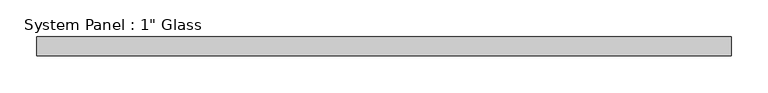
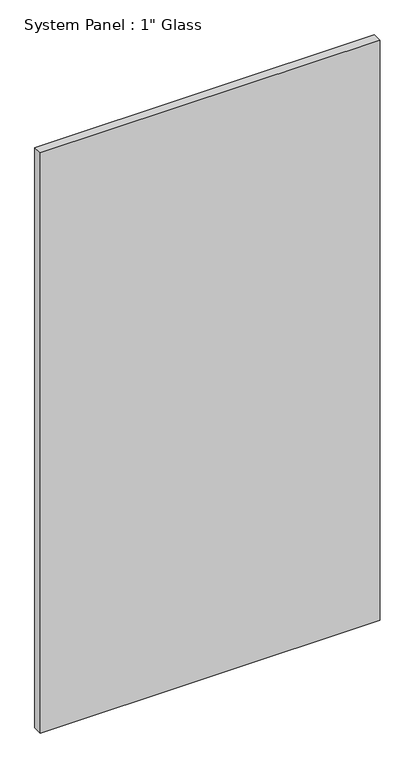
"""IFC4 building model written with IfcOpenShell, lengths in millimetres: plate geometry."""

import ifcopenshell
import ifcopenshell.guid

model = None  # the IFC model being written
_history = None  # IfcOwnerHistory: only IFC2X3 demands one
_inside = {}  # id of a spatial element -> (the spatial element, [elements in it])
_under = {}  # id of a project, library or spatial element -> (it, [spatial elements below it])
_declared = {}  # id of a project -> (the project, [libraries it declares])
_typed = {}  # id of a type object -> (the type object, [elements of that type])
_made_of = {}  # id of a material, layer set ... -> (it, [elements and type objects made of it])


def new_model(schema):
    """Start an empty IFC model of exactly this schema.

    Asked for "IFC4X3", IfcOpenShell would pick the latest addendum, in which some entities
    have other attributes; the version numbers below select the first issue.
    IFC2X3 requires an IfcOwnerHistory on every rooted entity: one is made here for all.
    """
    global model, _history
    if schema == "IFC4X3":
        model = ifcopenshell.file(schema_version=(4, 3, 0, 0))
    else:
        model = ifcopenshell.file(schema=schema)
    _inside.clear()
    _under.clear()
    _declared.clear()
    _typed.clear()
    _made_of.clear()
    _history = None
    if model.schema == "IFC2X3":
        org = make("IfcOrganization", Name="unknown")
        user = make(
            "IfcPersonAndOrganization",
            ThePerson=make("IfcPerson", FamilyName="unknown"),
            TheOrganization=org,
        )
        app = make(
            "IfcApplication",
            ApplicationDeveloper=org,
            Version="unknown",
            ApplicationFullName="unknown",
            ApplicationIdentifier="unknown",
        )
        _history = make(
            "IfcOwnerHistory",
            OwningUser=user,
            OwningApplication=app,
            ChangeAction="ADDED",
            CreationDate=0,
        )
    return model


def make(cls, **values):
    """One entity of the class cls with the attributes given. An attribute that is None is left unset."""
    return model.create_entity(
        cls, **{name: value for name, value in values.items() if value is not None}
    )


def rooted(cls, **values):
    """An entity with a GlobalId (a new one), such as an element, a storey or a relation."""
    return make(cls, GlobalId=ifcopenshell.guid.new(), OwnerHistory=_history, **values)


def si_unit(unit_type, name, prefix=None):
    """IfcSIUnit, for example si_unit("LENGTHUNIT", "METRE", prefix="MILLI")."""
    return make("IfcSIUnit", UnitType=unit_type, Prefix=prefix, Name=name)


def assignment(units):
    """IfcUnitAssignment: the units of a project."""
    return None if units is None else make("IfcUnitAssignment", Units=units)


def point(xyz):
    """IfcCartesianPoint."""
    return None if xyz is None else make("IfcCartesianPoint", Coordinates=xyz)


def direction(xyz):
    """IfcDirection."""
    return None if xyz is None else make("IfcDirection", DirectionRatios=xyz)


def frame(location, z_axis=None, x_axis=None):
    """IfcAxis2Placement3D, a coordinate frame: its origin and axes. An axis left out is left unset."""
    return make(
        "IfcAxis2Placement3D",
        Location=point(location),
        Axis=direction(z_axis),
        RefDirection=direction(x_axis),
    )


def origin():
    """The frame at (0, 0, 0) with its axes left unset."""
    return frame((0.0, 0.0, 0.0))


def origin_with_axes():
    """The frame at (0, 0, 0) with the z axis (0, 0, 1) and the x axis (1, 0, 0) written out."""
    return frame((0.0, 0.0, 0.0), z_axis=(0.0, 0.0, 1.0), x_axis=(1.0, 0.0, 0.0))


def place(relative_to, where):
    """IfcLocalPlacement: puts the frame where relative to a parent placement (None: the world)."""
    return make(
        "IfcLocalPlacement", PlacementRelTo=relative_to, RelativePlacement=where
    )


def context(
    kind, dimensions, precision=None, world=None, true_north=None, identifier=None
):
    """IfcGeometricRepresentationContext, for example the 3D "Model" context."""
    return make(
        "IfcGeometricRepresentationContext",
        ContextIdentifier=identifier,
        ContextType=kind,
        CoordinateSpaceDimension=dimensions,
        Precision=precision,
        WorldCoordinateSystem=world,
        TrueNorth=true_north,
    )


def project(units=None, contexts=None):
    """IfcProject with its units and contexts."""
    return rooted(
        "IfcProject",
        Name="project",
        RepresentationContexts=contexts,
        UnitsInContext=assignment(units),
    )


def spatial(cls, under=None, at=None, **own):
    """A site, building, storey or space (cls), placed at a placement, below another one or the project."""
    s = rooted(cls, ObjectPlacement=at, **own)
    if under is not None:
        _under.setdefault(under.id(), (under, []))[1].append(s)
    return s


def polyline(points):
    """IfcPolyline through the points."""
    return make("IfcPolyline", Points=[point(p) for p in points])


def outline(outer, holes=None, kind="AREA"):
    """IfcArbitraryClosedProfileDef: a profile drawn as a closed curve; with holes, ...WithVoids."""
    if holes is None:
        return make("IfcArbitraryClosedProfileDef", ProfileType=kind, OuterCurve=outer)
    return make(
        "IfcArbitraryProfileDefWithVoids",
        ProfileType=kind,
        OuterCurve=outer,
        InnerCurves=holes,
    )


def extrude(swept, where, along, depth):
    """IfcExtrudedAreaSolid: the profile swept, set in the frame where, extruded along a direction by depth."""
    return make(
        "IfcExtrudedAreaSolid",
        SweptArea=swept,
        Position=where,
        ExtrudedDirection=direction(along),
        Depth=depth,
    )


def shape(context_of_items, identifier, shape_type, items):
    """IfcShapeRepresentation: the items that make up one representation, for example the "Body"."""
    return make(
        "IfcShapeRepresentation",
        ContextOfItems=context_of_items,
        RepresentationIdentifier=identifier,
        RepresentationType=shape_type,
        Items=items,
    )


def source(mapping_origin, context_of_items, identifier, shape_type, items):
    """IfcRepresentationMap: a shape defined once, which mapped items show again and again."""
    return make(
        "IfcRepresentationMap",
        MappingOrigin=mapping_origin,
        MappedRepresentation=shape(context_of_items, identifier, shape_type, items),
    )


def transform(
    local_origin,
    x_axis=None,
    y_axis=None,
    z_axis=None,
    scale=None,
    scale2=None,
    scale3=None,
    uniform=True,
):
    """IfcCartesianTransformationOperator3D, or its non-uniform kind. x_axis, y_axis, z_axis: its Axis1, 2, 3."""
    if uniform:
        return make(
            "IfcCartesianTransformationOperator3D",
            Axis1=direction(x_axis),
            Axis2=direction(y_axis),
            LocalOrigin=point(local_origin),
            Scale=scale,
            Axis3=direction(z_axis),
        )
    return make(
        "IfcCartesianTransformationOperator3DnonUniform",
        Axis1=direction(x_axis),
        Axis2=direction(y_axis),
        LocalOrigin=point(local_origin),
        Scale=scale,
        Axis3=direction(z_axis),
        Scale2=scale2,
        Scale3=scale3,
    )


def mapped(mapping_source, mapping_target):
    """IfcMappedItem: shows the shape of a source again, moved by a transform."""
    return make(
        "IfcMappedItem", MappingSource=mapping_source, MappingTarget=mapping_target
    )


def made_of(thing, what):
    """Note that an element or type object is made of a material, layer set ...; save() writes the relation."""
    if what is not None:
        _made_of.setdefault(what.id(), (what, []))[1].append(thing)
    return thing


def element(
    cls,
    number,
    at=None,
    inside=None,
    cuts=None,
    type_object=None,
    material=None,
    context=None,
    identifier="Body",
    shape_type=None,
    held_by="IfcProductDefinitionShape",
    body=None,
    shapes=None,
    **own,
):
    """One element of the class cls, such as IfcWall. Its Tag is "e" and its number.

    at: its placement. inside: the storey or other place that contains it. cuts: it is an
    opening in that element (IfcRelVoidsElement). A single representation is given by context,
    identifier, shape_type and body (its items); several are given by shapes. held_by: the class
    of the entity that holds the representations. save() writes the other relations.
    """
    e = rooted(cls, Tag="e%d" % number, ObjectPlacement=at, **own)
    if body is not None:
        shapes = [shape(context, identifier, shape_type, body)]
    if shapes is not None:
        e.Representation = make(held_by, Representations=shapes)
    if inside is not None:
        _inside.setdefault(inside.id(), (inside, []))[1].append(e)
    if cuts is not None:
        rooted(
            "IfcRelVoidsElement", RelatingBuildingElement=cuts, RelatedOpeningElement=e
        )
    if type_object is not None:
        _typed.setdefault(type_object.id(), (type_object, []))[1].append(e)
    return made_of(e, material)


def aggregate(whole, parts):
    """IfcRelAggregates: a whole, such as a stair, and the parts it consists of."""
    return rooted("IfcRelAggregates", RelatingObject=whole, RelatedObjects=parts)


def save(model, path):
    """Write the relations noted so far, then the file.

    IfcRelAggregates (storeys below a building ...), IfcRelContainedInSpatialStructure (elements
    in a storey), IfcRelDefinesByType, IfcRelAssociatesMaterial and IfcRelDeclares: one each for
    every whole, place, type object, material and project.
    """
    for whole, parts in _under.values():
        aggregate(whole, parts)
    for where, things in _inside.values():
        rooted(
            "IfcRelContainedInSpatialStructure",
            RelatedElements=things,
            RelatingStructure=where,
        )
    for kind, things in _typed.values():
        rooted("IfcRelDefinesByType", RelatedObjects=things, RelatingType=kind)
    for what, things in _made_of.values():
        rooted("IfcRelAssociatesMaterial", RelatedObjects=things, RelatingMaterial=what)
    for by, libraries in _declared.values():
        rooted("IfcRelDeclares", RelatingContext=by, RelatedDefinitions=libraries)
    model.write(path)


def plate_f2fcc020(model_context):
    return source(origin(), model_context, "Body", "SweptSolid", [
        extrude(outline(polyline([(469.9, -12.7), (-469.9, -12.7), (-469.9, 12.7), (469.9, 12.7), (469.9, -12.7)])), origin_with_axes(), (0.0, 0.0, 1.0), 1695.45),
    ])


if __name__ == "__main__":
    model = new_model("IFC4")
    model_context = context("Model", 3, world=origin())
    ifc_project = project(units=[si_unit("LENGTHUNIT", "METRE", prefix="MILLI")], contexts=[model_context])
    site = spatial("IfcSite", under=ifc_project)
    building = spatial("IfcBuilding", under=site)
    placement = place(None, origin())
    plate_shape = plate_f2fcc020(model_context)
    element("IfcPlate", 1, ObjectType="System Panel : 1\" Glass", at=placement, inside=building, context=model_context, shape_type="MappedRepresentation", body=[
        mapped(plate_shape, transform((0.0, 0.0, 0.0), x_axis=(1.0, 0.0, 0.0), y_axis=(0.0, 1.0, 0.0), z_axis=(0.0, 0.0, 1.0))),
    ])
    save(model, "model.ifc")
